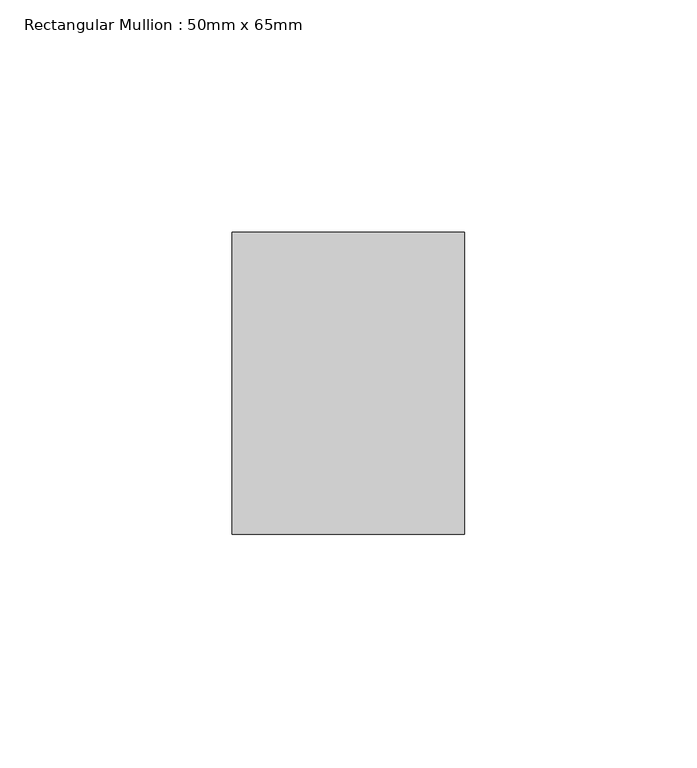
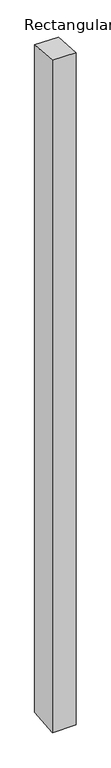
"""IFC4 building model written with IfcOpenShell, lengths in millimetres: member geometry, Rectangular Mullion : 50mm x 65mm."""

from ifc_helpers import new_model, si_unit, origin, place, context, project, spatial, faceted_brep, source, transform, mapped, element, save


def rectangular_mullion_50mm_x_65mm_e2605c7b(model_context):
    return source(origin(), model_context, "Body", "Brep", [
        faceted_brep([(-25.0, 32.5, -2.4319474), (25.0, 32.5, -2.431951), (25.0, 32.5, -1497.0086529), (-25.0, 32.5, -1497.0086574), (-25.0, -32.5, 2.431951), (-25.0, -32.5, -1502.990967), (25.0, -32.5, 2.4319474), (25.0, -32.5, -1502.9909624)], [[[0, 1, 2, 3]], [[4, 0, 3, 5]], [[6, 4, 5, 7]], [[1, 6, 7, 2]], [[1, 0, 4, 6]], [[2, 7, 5, 3]]]),
    ])


if __name__ == "__main__":
    model = new_model("IFC4")
    model_context = context("Model", 3, world=origin())
    ifc_project = project(units=[si_unit("LENGTHUNIT", "METRE", prefix="MILLI")], contexts=[model_context])
    site = spatial("IfcSite", under=ifc_project)
    building = spatial("IfcBuilding", under=site)
    placement = place(None, origin())
    rectangular_mullion_50mm_x_65mm_shape = rectangular_mullion_50mm_x_65mm_e2605c7b(model_context)
    element("IfcMember", 1, ObjectType="Rectangular Mullion : 50mm x 65mm", at=placement, inside=building, context=model_context, shape_type="MappedRepresentation", body=[
        mapped(rectangular_mullion_50mm_x_65mm_shape, transform((0.0, 0.0, 0.0), x_axis=(1.0, 0.0, 0.0), y_axis=(0.0, 1.0, 0.0), z_axis=(0.0, 0.0, 1.0))),
    ])
    save(model, "model.ifc")
